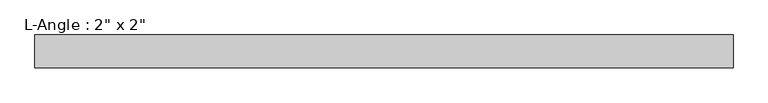
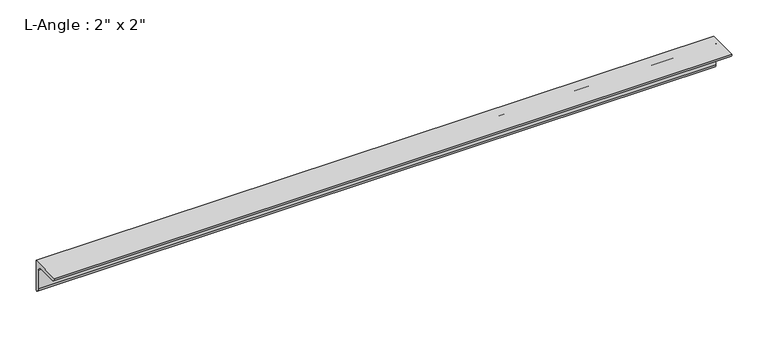
"""IFC4 building model written with IfcOpenShell, lengths in millimetres: beam geometry."""

from ifc_helpers import new_model, si_unit, point, frame, frame_2d, origin, place, context, project, spatial, polyline, circle_curve, trimmed, segment, composite_curve, outline, extrude, source, transform, mapped, element, save


def beam_f85564f7(model_context):
    return source(origin(), model_context, "Body", "SweptSolid", [
        extrude(outline(composite_curve([segment(polyline([(0.0, 0.0), (0.0, -50.8)]), True, "CONTINUOUS"), segment(trimmed(circle_curve(frame_2d((0.0, -44.45)), 6.35), [point((0.0, -50.8))], [point((-6.35, -44.45))], False, "CARTESIAN"), True, "CONTINUOUS"), segment(polyline([(-6.35, -44.45), (-6.35, -12.7)]), True, "CONTINUOUS"), segment(trimmed(circle_curve(frame_2d((-12.7, -12.7)), 6.35), [point((-6.35, -12.7))], [point((-12.7, -6.35))], True, "CARTESIAN"), True, "CONTINUOUS"), segment(polyline([(-12.7, -6.35), (-44.45, -6.35)]), True, "CONTINUOUS"), segment(trimmed(circle_curve(frame_2d((-44.45, 0.0)), 6.35), [point((-44.45, -6.35))], [point((-50.8, 0.0))], False, "CARTESIAN"), True, "CONTINUOUS"), segment(polyline([(-50.8, 0.0), (0.0, 0.0)]), True, "CONTINUOUS")], self_intersect=False)), frame((-542.2840059, 0.0, 0.0), z_axis=(1.0, 0.0, 0.0), x_axis=(0.0, 1.0, 0.0)), (0.0, 0.0, 1.0), 1084.5680118),
    ])


if __name__ == "__main__":
    model = new_model("IFC4")
    model_context = context("Model", 3, world=origin())
    ifc_project = project(units=[si_unit("LENGTHUNIT", "METRE", prefix="MILLI")], contexts=[model_context])
    site = spatial("IfcSite", under=ifc_project)
    building = spatial("IfcBuilding", under=site)
    placement = place(None, origin())
    beam_shape = beam_f85564f7(model_context)
    element("IfcBeam", 1, ObjectType="L-Angle : 2\" x 2\"", at=placement, inside=building, context=model_context, shape_type="MappedRepresentation", body=[
        mapped(beam_shape, transform((0.0, 0.0, 0.0), x_axis=(1.0, 0.0, 0.0), y_axis=(0.0, 1.0, 0.0), z_axis=(0.0, 0.0, 1.0))),
    ])
    save(model, "model.ifc")
